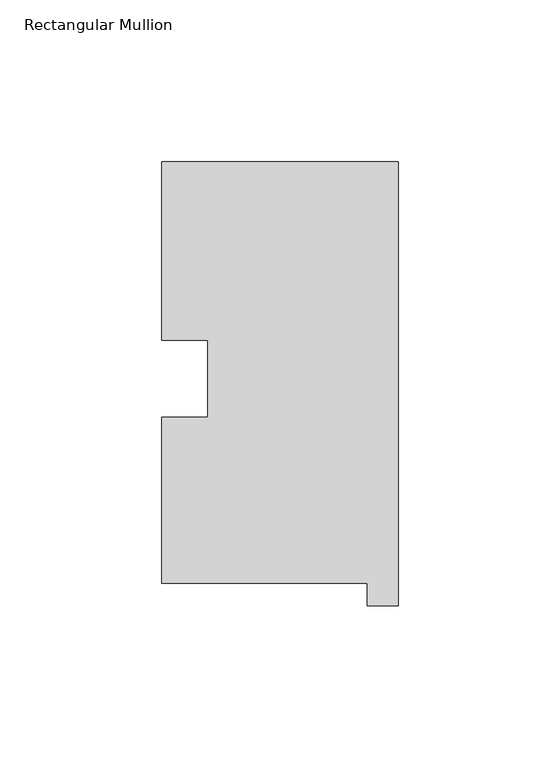
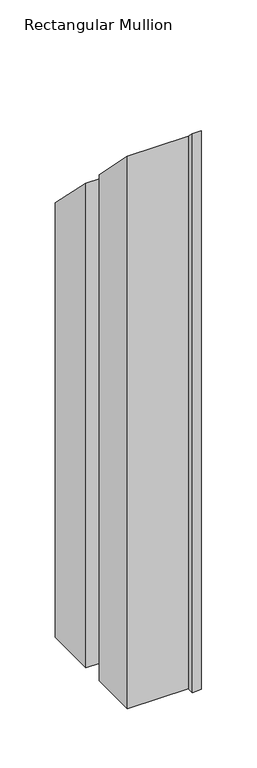
"""IFC4 building model written with IfcOpenShell, lengths in millimetres: member geometry, Rectangular Mullion."""

from ifc_helpers import new_model, si_unit, origin, place, context, project, spatial, faceted_brep, source, transform, mapped, element, save


def rectangular_mullion_c8991abf(model_context):
    return source(origin(), model_context, "Body", "Brep", [
        faceted_brep([(-9.525, 0.26035, -609.6), (-73.025, 0.26035, -609.6), (-73.025, 51.60645, -609.6), (-58.785125, 51.60645, -609.6), (-58.785125, 75.40625, -609.6), (-73.025, 75.40625, -609.6), (-73.025, 130.56235, -609.6), (0.0, 130.56235, -609.6), (0.0, -6.64845, -609.6), (-9.525, -6.64845, -609.6), (-9.525, 0.26035, -0.26035), (-73.025, 0.26035, -0.26035), (-73.025, 51.60645, -51.60645), (-58.785125, 51.60645, -51.60645), (-58.785125, 75.40625, -75.40625), (-73.025, 75.40625, -75.40625), (-73.025, 130.56235, -130.56235), (0.0, 130.56235, -130.56235), (0.0, -6.64845, 6.64845), (-9.525, -6.64845, 6.64845)], [[[0, 1, 2, 3, 4, 5, 6, 7, 8, 9]], [[10, 11, 1, 0]], [[11, 12, 2, 1]], [[12, 13, 3, 2]], [[13, 14, 4, 3]], [[14, 15, 5, 4]], [[15, 16, 6, 5]], [[16, 17, 7, 6]], [[17, 18, 8, 7]], [[18, 19, 9, 8]], [[19, 10, 0, 9]], [[10, 19, 18, 17, 16, 15, 14, 13, 12, 11]]]),
    ])


if __name__ == "__main__":
    model = new_model("IFC4")
    model_context = context("Model", 3, world=origin())
    ifc_project = project(units=[si_unit("LENGTHUNIT", "METRE", prefix="MILLI")], contexts=[model_context])
    site = spatial("IfcSite", under=ifc_project)
    building = spatial("IfcBuilding", under=site)
    placement = place(None, origin())
    rectangular_mullion_shape = rectangular_mullion_c8991abf(model_context)
    element("IfcMember", 1, ObjectType="Rectangular Mullion", at=placement, inside=building, context=model_context, shape_type="MappedRepresentation", body=[
        mapped(rectangular_mullion_shape, transform((0.0, 0.0, 0.0), x_axis=(1.0, 0.0, 0.0), y_axis=(0.0, 1.0, 0.0), z_axis=(0.0, 0.0, 1.0))),
    ])
    save(model, "model.ifc")
